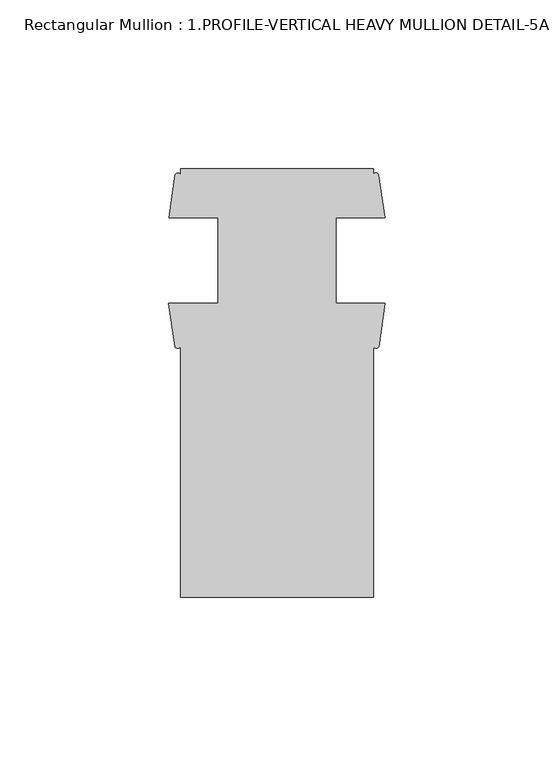
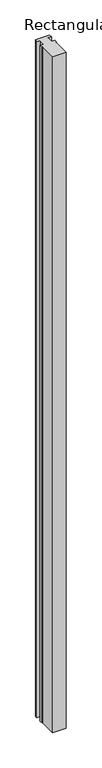
"""IFC4 building model written with IfcOpenShell, lengths in millimetres: member geometry, Rectangular Mullion : 1.PROFILE-VERTICAL HEAVY MULLION DETAIL-5A."""

from ifc_helpers import new_model, si_unit, point, frame, frame_2d, origin, place, context, project, spatial, polyline, circle_curve, trimmed, segment, composite_curve, outline, extrude, source, transform, mapped, element, save


def rectangular_mullion_1_profile_vertical_heavy_mullion_detail_c35dbfb6(model_context):
    return source(origin(), model_context, "Body", "SweptSolid", [
        extrude(outline(composite_curve([segment(polyline([(-60.6695217, -42.3641266), (-60.6695217, 31.9592956)]), True, "CONTINUOUS"), segment(trimmed(circle_curve(frame_2d((-61.5012239, 32.4924792)), 0.9879339), [point((-60.6695217, 31.9592956))], [point((-62.3329261, 31.9592956))], False, "CARTESIAN"), True, "CONTINUOUS"), segment(polyline([(-62.3329261, 31.9592956), (-64.1890435, 44.7323483), (-49.5570217, 44.7323483), (-49.5570217, 70.1323483), (-64.0655217, 70.1323483), (-62.255418, 82.9036359)]), True, "CONTINUOUS"), segment(trimmed(circle_curve(frame_2d((-61.4624699, 82.4390034)), 0.9190485), [point((-62.255418, 82.9036359))], [point((-60.6695217, 82.9036359))], False, "CARTESIAN"), True, "CONTINUOUS"), segment(polyline([(-60.6695217, 82.9036359), (-60.6695217, 84.6358734), (-3.5195217, 84.6358734), (-3.5195217, 82.9036359)]), True, "CONTINUOUS"), segment(trimmed(circle_curve(frame_2d((-2.7265736, 82.5456999)), 0.8699913), [point((-3.5195217, 82.9036359))], [point((-1.9336255, 82.9036359))], False, "CARTESIAN"), True, "CONTINUOUS"), segment(polyline([(-1.9336255, 82.9036359), (-0.1235217, 70.1323483), (-14.6320217, 70.1323483), (-14.6320217, 44.7323483), (0.0, 44.7323483), (-1.8561173, 31.9592956)]), True, "CONTINUOUS"), segment(trimmed(circle_curve(frame_2d((-2.6878195, 32.4822693)), 0.9824612), [point((-1.8561173, 31.9592956))], [point((-3.5195217, 31.9592956))], False, "CARTESIAN"), True, "CONTINUOUS"), segment(polyline([(-3.5195217, 31.9592956), (-3.5195217, -42.3641266), (-60.6695217, -42.3641266)]), True, "CONTINUOUS")], self_intersect=False)), frame((0.0, 0.0, -3048.0), z_axis=(0.0, 0.0, 1.0), x_axis=(1.0, 0.0, 0.0)), (0.0, 0.0, 1.0), 3048.0),
    ])


if __name__ == "__main__":
    model = new_model("IFC4")
    model_context = context("Model", 3, world=origin())
    ifc_project = project(units=[si_unit("LENGTHUNIT", "METRE", prefix="MILLI")], contexts=[model_context])
    site = spatial("IfcSite", under=ifc_project)
    building = spatial("IfcBuilding", under=site)
    placement = place(None, origin())
    rectangular_mullion_1_profile_vertical_heavy_mullion_detail_shape = rectangular_mullion_1_profile_vertical_heavy_mullion_detail_c35dbfb6(model_context)
    element("IfcMember", 1, ObjectType="Rectangular Mullion : 1.PROFILE-VERTICAL HEAVY MULLION DETAIL-5A", at=placement, inside=building, context=model_context, shape_type="MappedRepresentation", body=[
        mapped(rectangular_mullion_1_profile_vertical_heavy_mullion_detail_shape, transform((0.0, 0.0, 0.0), x_axis=(1.0, 0.0, 0.0), y_axis=(0.0, 1.0, 0.0), z_axis=(0.0, 0.0, 1.0))),
    ])
    save(model, "model.ifc")
